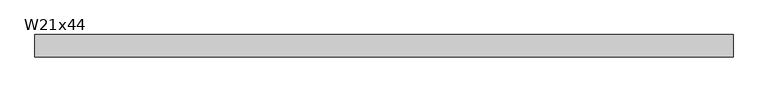
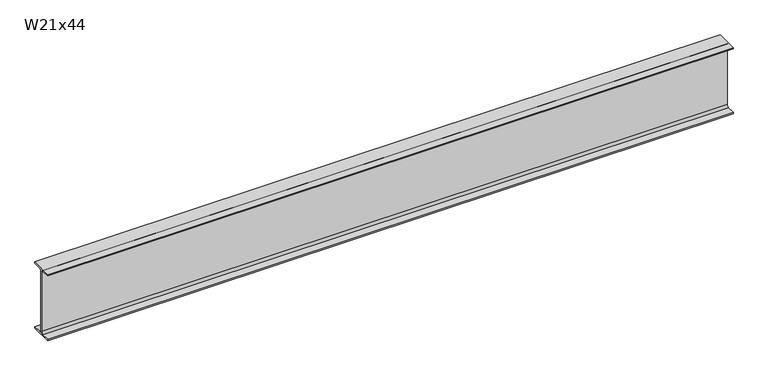
"""IFC4 building model written with IfcOpenShell, lengths in millimetres: beam geometry, W21x44."""

from ifc_helpers import new_model, si_unit, point, frame, frame_2d, origin, place, context, project, spatial, polyline, circle_curve, trimmed, segment, composite_curve, outline, extrude, source, transform, mapped, element, save


def w21x44_8661ee5b(model_context):
    return source(origin(), model_context, "Body", "SweptSolid", [
        extrude(outline(composite_curve([segment(polyline([(82.55, -251.46), (82.55, -262.89), (-82.55, -262.89), (-82.55, -251.46), (-21.59, -251.46)]), True, "CONTINUOUS"), segment(trimmed(circle_curve(frame_2d((-21.59, -234.315)), 17.145), [point((-21.59, -251.46))], [point((-4.445, -234.315))], True, "CARTESIAN"), True, "CONTINUOUS"), segment(polyline([(-4.445, -234.315), (-4.445, 234.315)]), True, "CONTINUOUS"), segment(trimmed(circle_curve(frame_2d((-21.59, 234.315)), 17.145), [point((-4.445, 234.315))], [point((-21.59, 251.46))], True, "CARTESIAN"), True, "CONTINUOUS"), segment(polyline([(-21.59, 251.46), (-82.55, 251.46), (-82.55, 262.89), (82.55, 262.89), (82.55, 251.46), (21.59, 251.46)]), True, "CONTINUOUS"), segment(trimmed(circle_curve(frame_2d((21.59, 234.315)), 17.145), [point((21.59, 251.46))], [point((4.445, 234.315))], True, "CARTESIAN"), True, "CONTINUOUS"), segment(polyline([(4.445, 234.315), (4.445, -234.315)]), True, "CONTINUOUS"), segment(trimmed(circle_curve(frame_2d((21.59, -234.315)), 17.145), [point((4.445, -234.315))], [point((21.59, -251.46))], True, "CARTESIAN"), True, "CONTINUOUS"), segment(polyline([(21.59, -251.46), (82.55, -251.46)]), True, "CONTINUOUS")], self_intersect=False)), frame((-2576.83, 0.0, 0.0), z_axis=(1.0, 0.0, 0.0), x_axis=(0.0, 1.0, 0.0)), (0.0, 0.0, 1.0), 5153.66),
    ])


if __name__ == "__main__":
    model = new_model("IFC4")
    model_context = context("Model", 3, world=origin())
    ifc_project = project(units=[si_unit("LENGTHUNIT", "METRE", prefix="MILLI")], contexts=[model_context])
    site = spatial("IfcSite", under=ifc_project)
    building = spatial("IfcBuilding", under=site)
    placement = place(None, origin())
    w21x44_shape = w21x44_8661ee5b(model_context)
    element("IfcBeam", 1, ObjectType="W21x44", at=placement, inside=building, context=model_context, shape_type="MappedRepresentation", body=[
        mapped(w21x44_shape, transform((0.0, 0.0, 0.0), x_axis=(1.0, 0.0, 0.0), y_axis=(0.0, 1.0, 0.0), z_axis=(0.0, 0.0, 1.0))),
    ])
    save(model, "model.ifc")
